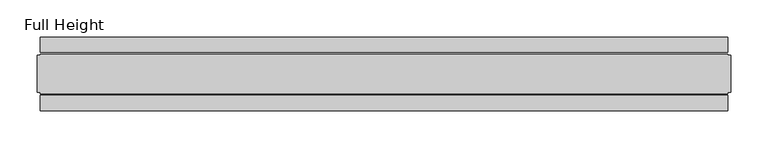
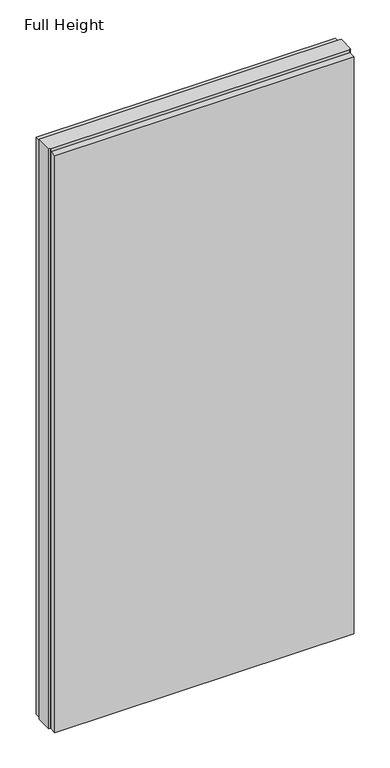
"""IFC4 building model written with IfcOpenShell, lengths in millimetres: plate geometry, Full Height."""

import ifcopenshell
import ifcopenshell.guid

model = None  # the IFC model being written
_history = None  # IfcOwnerHistory: only IFC2X3 demands one
_inside = {}  # id of a spatial element -> (the spatial element, [elements in it])
_under = {}  # id of a project, library or spatial element -> (it, [spatial elements below it])
_declared = {}  # id of a project -> (the project, [libraries it declares])
_typed = {}  # id of a type object -> (the type object, [elements of that type])
_made_of = {}  # id of a material, layer set ... -> (it, [elements and type objects made of it])


def new_model(schema):
    """Start an empty IFC model of exactly this schema.

    Asked for "IFC4X3", IfcOpenShell would pick the latest addendum, in which some entities
    have other attributes; the version numbers below select the first issue.
    IFC2X3 requires an IfcOwnerHistory on every rooted entity: one is made here for all.
    """
    global model, _history
    if schema == "IFC4X3":
        model = ifcopenshell.file(schema_version=(4, 3, 0, 0))
    else:
        model = ifcopenshell.file(schema=schema)
    _inside.clear()
    _under.clear()
    _declared.clear()
    _typed.clear()
    _made_of.clear()
    _history = None
    if model.schema == "IFC2X3":
        org = make("IfcOrganization", Name="unknown")
        user = make(
            "IfcPersonAndOrganization",
            ThePerson=make("IfcPerson", FamilyName="unknown"),
            TheOrganization=org,
        )
        app = make(
            "IfcApplication",
            ApplicationDeveloper=org,
            Version="unknown",
            ApplicationFullName="unknown",
            ApplicationIdentifier="unknown",
        )
        _history = make(
            "IfcOwnerHistory",
            OwningUser=user,
            OwningApplication=app,
            ChangeAction="ADDED",
            CreationDate=0,
        )
    return model


def make(cls, **values):
    """One entity of the class cls with the attributes given. An attribute that is None is left unset."""
    return model.create_entity(
        cls, **{name: value for name, value in values.items() if value is not None}
    )


def rooted(cls, **values):
    """An entity with a GlobalId (a new one), such as an element, a storey or a relation."""
    return make(cls, GlobalId=ifcopenshell.guid.new(), OwnerHistory=_history, **values)


def si_unit(unit_type, name, prefix=None):
    """IfcSIUnit, for example si_unit("LENGTHUNIT", "METRE", prefix="MILLI")."""
    return make("IfcSIUnit", UnitType=unit_type, Prefix=prefix, Name=name)


def assignment(units):
    """IfcUnitAssignment: the units of a project."""
    return None if units is None else make("IfcUnitAssignment", Units=units)


def point(xyz):
    """IfcCartesianPoint."""
    return None if xyz is None else make("IfcCartesianPoint", Coordinates=xyz)


def direction(xyz):
    """IfcDirection."""
    return None if xyz is None else make("IfcDirection", DirectionRatios=xyz)


def frame(location, z_axis=None, x_axis=None):
    """IfcAxis2Placement3D, a coordinate frame: its origin and axes. An axis left out is left unset."""
    return make(
        "IfcAxis2Placement3D",
        Location=point(location),
        Axis=direction(z_axis),
        RefDirection=direction(x_axis),
    )


def origin():
    """The frame at (0, 0, 0) with its axes left unset."""
    return frame((0.0, 0.0, 0.0))


def origin_with_axes():
    """The frame at (0, 0, 0) with the z axis (0, 0, 1) and the x axis (1, 0, 0) written out."""
    return frame((0.0, 0.0, 0.0), z_axis=(0.0, 0.0, 1.0), x_axis=(1.0, 0.0, 0.0))


def place(relative_to, where):
    """IfcLocalPlacement: puts the frame where relative to a parent placement (None: the world)."""
    return make(
        "IfcLocalPlacement", PlacementRelTo=relative_to, RelativePlacement=where
    )


def context(
    kind, dimensions, precision=None, world=None, true_north=None, identifier=None
):
    """IfcGeometricRepresentationContext, for example the 3D "Model" context."""
    return make(
        "IfcGeometricRepresentationContext",
        ContextIdentifier=identifier,
        ContextType=kind,
        CoordinateSpaceDimension=dimensions,
        Precision=precision,
        WorldCoordinateSystem=world,
        TrueNorth=true_north,
    )


def project(units=None, contexts=None):
    """IfcProject with its units and contexts."""
    return rooted(
        "IfcProject",
        Name="project",
        RepresentationContexts=contexts,
        UnitsInContext=assignment(units),
    )


def spatial(cls, under=None, at=None, **own):
    """A site, building, storey or space (cls), placed at a placement, below another one or the project."""
    s = rooted(cls, ObjectPlacement=at, **own)
    if under is not None:
        _under.setdefault(under.id(), (under, []))[1].append(s)
    return s


def polyline(points):
    """IfcPolyline through the points."""
    return make("IfcPolyline", Points=[point(p) for p in points])


def outline(outer, holes=None, kind="AREA"):
    """IfcArbitraryClosedProfileDef: a profile drawn as a closed curve; with holes, ...WithVoids."""
    if holes is None:
        return make("IfcArbitraryClosedProfileDef", ProfileType=kind, OuterCurve=outer)
    return make(
        "IfcArbitraryProfileDefWithVoids",
        ProfileType=kind,
        OuterCurve=outer,
        InnerCurves=holes,
    )


def extrude(swept, where, along, depth):
    """IfcExtrudedAreaSolid: the profile swept, set in the frame where, extruded along a direction by depth."""
    return make(
        "IfcExtrudedAreaSolid",
        SweptArea=swept,
        Position=where,
        ExtrudedDirection=direction(along),
        Depth=depth,
    )


def shape(context_of_items, identifier, shape_type, items):
    """IfcShapeRepresentation: the items that make up one representation, for example the "Body"."""
    return make(
        "IfcShapeRepresentation",
        ContextOfItems=context_of_items,
        RepresentationIdentifier=identifier,
        RepresentationType=shape_type,
        Items=items,
    )


def source(mapping_origin, context_of_items, identifier, shape_type, items):
    """IfcRepresentationMap: a shape defined once, which mapped items show again and again."""
    return make(
        "IfcRepresentationMap",
        MappingOrigin=mapping_origin,
        MappedRepresentation=shape(context_of_items, identifier, shape_type, items),
    )


def transform(
    local_origin,
    x_axis=None,
    y_axis=None,
    z_axis=None,
    scale=None,
    scale2=None,
    scale3=None,
    uniform=True,
):
    """IfcCartesianTransformationOperator3D, or its non-uniform kind. x_axis, y_axis, z_axis: its Axis1, 2, 3."""
    if uniform:
        return make(
            "IfcCartesianTransformationOperator3D",
            Axis1=direction(x_axis),
            Axis2=direction(y_axis),
            LocalOrigin=point(local_origin),
            Scale=scale,
            Axis3=direction(z_axis),
        )
    return make(
        "IfcCartesianTransformationOperator3DnonUniform",
        Axis1=direction(x_axis),
        Axis2=direction(y_axis),
        LocalOrigin=point(local_origin),
        Scale=scale,
        Axis3=direction(z_axis),
        Scale2=scale2,
        Scale3=scale3,
    )


def mapped(mapping_source, mapping_target):
    """IfcMappedItem: shows the shape of a source again, moved by a transform."""
    return make(
        "IfcMappedItem", MappingSource=mapping_source, MappingTarget=mapping_target
    )


def made_of(thing, what):
    """Note that an element or type object is made of a material, layer set ...; save() writes the relation."""
    if what is not None:
        _made_of.setdefault(what.id(), (what, []))[1].append(thing)
    return thing


def element(
    cls,
    number,
    at=None,
    inside=None,
    cuts=None,
    type_object=None,
    material=None,
    context=None,
    identifier="Body",
    shape_type=None,
    held_by="IfcProductDefinitionShape",
    body=None,
    shapes=None,
    **own,
):
    """One element of the class cls, such as IfcWall. Its Tag is "e" and its number.

    at: its placement. inside: the storey or other place that contains it. cuts: it is an
    opening in that element (IfcRelVoidsElement). A single representation is given by context,
    identifier, shape_type and body (its items); several are given by shapes. held_by: the class
    of the entity that holds the representations. save() writes the other relations.
    """
    e = rooted(cls, Tag="e%d" % number, ObjectPlacement=at, **own)
    if body is not None:
        shapes = [shape(context, identifier, shape_type, body)]
    if shapes is not None:
        e.Representation = make(held_by, Representations=shapes)
    if inside is not None:
        _inside.setdefault(inside.id(), (inside, []))[1].append(e)
    if cuts is not None:
        rooted(
            "IfcRelVoidsElement", RelatingBuildingElement=cuts, RelatedOpeningElement=e
        )
    if type_object is not None:
        _typed.setdefault(type_object.id(), (type_object, []))[1].append(e)
    return made_of(e, material)


def aggregate(whole, parts):
    """IfcRelAggregates: a whole, such as a stair, and the parts it consists of."""
    return rooted("IfcRelAggregates", RelatingObject=whole, RelatedObjects=parts)


def save(model, path):
    """Write the relations noted so far, then the file.

    IfcRelAggregates (storeys below a building ...), IfcRelContainedInSpatialStructure (elements
    in a storey), IfcRelDefinesByType, IfcRelAssociatesMaterial and IfcRelDeclares: one each for
    every whole, place, type object, material and project.
    """
    for whole, parts in _under.values():
        aggregate(whole, parts)
    for where, things in _inside.values():
        rooted(
            "IfcRelContainedInSpatialStructure",
            RelatedElements=things,
            RelatingStructure=where,
        )
    for kind, things in _typed.values():
        rooted("IfcRelDefinesByType", RelatedObjects=things, RelatingType=kind)
    for what, things in _made_of.values():
        rooted("IfcRelAssociatesMaterial", RelatedObjects=things, RelatingMaterial=what)
    for by, libraries in _declared.values():
        rooted("IfcRelDeclares", RelatingContext=by, RelatedDefinitions=libraries)
    model.write(path)


def full_height_30e53eeb(model_context):
    return source(origin(), model_context, "Body", "SweptSolid", [
        extrude(outline(polyline([(463.330153, 28.956), (-463.330153, 28.956), (-463.330153, 49.53), (463.330153, 49.53), (463.330153, 28.956)])), origin_with_axes(), (0.0, 0.0, 1.0), 1889.252),
        extrude(outline(polyline([(463.330153, -28.956), (463.330153, -49.53), (-463.330153, -49.53), (-463.330153, -28.956), (463.330153, -28.956)])), origin_with_axes(), (0.0, 0.0, 1.0), 1889.252),
        extrude(outline(polyline([(463.330153, -25.146), (463.330153, -26.67), (-463.330153, -26.67), (-463.330153, -25.146), (-467.902153, -25.146), (-467.902153, 25.146), (-463.330153, 25.146), (-463.330153, 26.67), (463.330153, 26.67), (463.330153, 25.146), (467.902153, 25.146), (467.902153, -25.146), (463.330153, -25.146)])), origin_with_axes(), (0.0, 0.0, 1.0), 1898.396),
    ])


if __name__ == "__main__":
    model = new_model("IFC4")
    model_context = context("Model", 3, world=origin())
    ifc_project = project(units=[si_unit("LENGTHUNIT", "METRE", prefix="MILLI")], contexts=[model_context])
    site = spatial("IfcSite", under=ifc_project)
    building = spatial("IfcBuilding", under=site)
    placement = place(None, origin())
    full_height_shape = full_height_30e53eeb(model_context)
    element("IfcPlate", 1, ObjectType="Full Height", at=placement, inside=building, context=model_context, shape_type="MappedRepresentation", body=[
        mapped(full_height_shape, transform((0.0, 0.0, 0.0), x_axis=(1.0, 0.0, 0.0), y_axis=(0.0, 1.0, 0.0), z_axis=(0.0, 0.0, 1.0))),
    ])
    save(model, "model.ifc")
